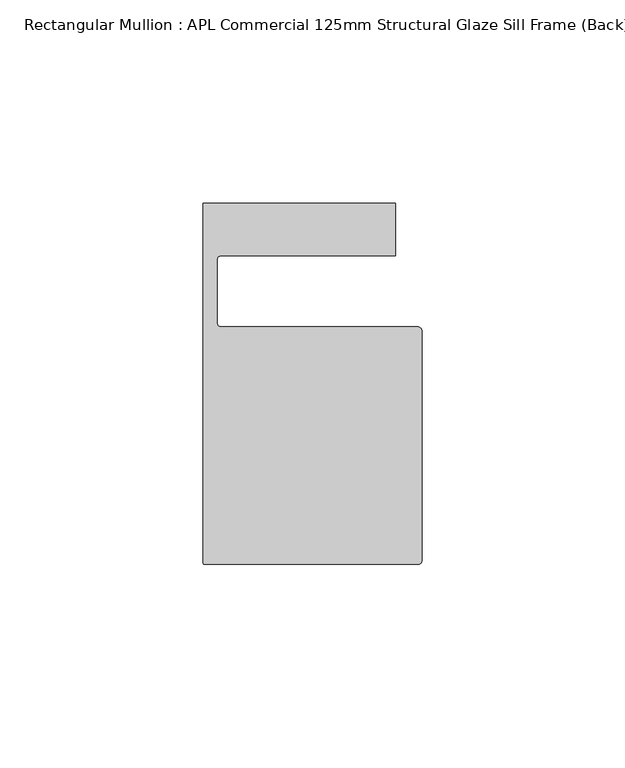
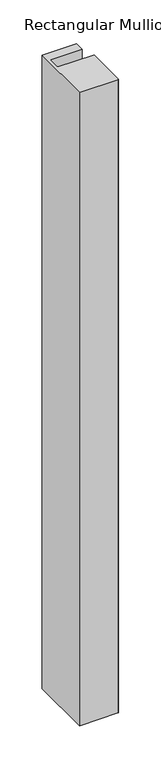
"""IFC4 building model written with IfcOpenShell, lengths in millimetres: member geometry, Rectangular Mullion : APL Commercial 125mm Structural Glaze Sill Frame (Back)."""

import ifcopenshell
import ifcopenshell.guid

model = None  # the IFC model being written
_history = None  # IfcOwnerHistory: only IFC2X3 demands one
_inside = {}  # id of a spatial element -> (the spatial element, [elements in it])
_under = {}  # id of a project, library or spatial element -> (it, [spatial elements below it])
_declared = {}  # id of a project -> (the project, [libraries it declares])
_typed = {}  # id of a type object -> (the type object, [elements of that type])
_made_of = {}  # id of a material, layer set ... -> (it, [elements and type objects made of it])


def new_model(schema):
    """Start an empty IFC model of exactly this schema.

    Asked for "IFC4X3", IfcOpenShell would pick the latest addendum, in which some entities
    have other attributes; the version numbers below select the first issue.
    IFC2X3 requires an IfcOwnerHistory on every rooted entity: one is made here for all.
    """
    global model, _history
    if schema == "IFC4X3":
        model = ifcopenshell.file(schema_version=(4, 3, 0, 0))
    else:
        model = ifcopenshell.file(schema=schema)
    _inside.clear()
    _under.clear()
    _declared.clear()
    _typed.clear()
    _made_of.clear()
    _history = None
    if model.schema == "IFC2X3":
        org = make("IfcOrganization", Name="unknown")
        user = make(
            "IfcPersonAndOrganization",
            ThePerson=make("IfcPerson", FamilyName="unknown"),
            TheOrganization=org,
        )
        app = make(
            "IfcApplication",
            ApplicationDeveloper=org,
            Version="unknown",
            ApplicationFullName="unknown",
            ApplicationIdentifier="unknown",
        )
        _history = make(
            "IfcOwnerHistory",
            OwningUser=user,
            OwningApplication=app,
            ChangeAction="ADDED",
            CreationDate=0,
        )
    return model


def make(cls, **values):
    """One entity of the class cls with the attributes given. An attribute that is None is left unset."""
    return model.create_entity(
        cls, **{name: value for name, value in values.items() if value is not None}
    )


def rooted(cls, **values):
    """An entity with a GlobalId (a new one), such as an element, a storey or a relation."""
    return make(cls, GlobalId=ifcopenshell.guid.new(), OwnerHistory=_history, **values)


def si_unit(unit_type, name, prefix=None):
    """IfcSIUnit, for example si_unit("LENGTHUNIT", "METRE", prefix="MILLI")."""
    return make("IfcSIUnit", UnitType=unit_type, Prefix=prefix, Name=name)


def assignment(units):
    """IfcUnitAssignment: the units of a project."""
    return None if units is None else make("IfcUnitAssignment", Units=units)


def point(xyz):
    """IfcCartesianPoint."""
    return None if xyz is None else make("IfcCartesianPoint", Coordinates=xyz)


def direction(xyz):
    """IfcDirection."""
    return None if xyz is None else make("IfcDirection", DirectionRatios=xyz)


def frame(location, z_axis=None, x_axis=None):
    """IfcAxis2Placement3D, a coordinate frame: its origin and axes. An axis left out is left unset."""
    return make(
        "IfcAxis2Placement3D",
        Location=point(location),
        Axis=direction(z_axis),
        RefDirection=direction(x_axis),
    )


def origin():
    """The frame at (0, 0, 0) with its axes left unset."""
    return frame((0.0, 0.0, 0.0))


def place(relative_to, where):
    """IfcLocalPlacement: puts the frame where relative to a parent placement (None: the world)."""
    return make(
        "IfcLocalPlacement", PlacementRelTo=relative_to, RelativePlacement=where
    )


def context(
    kind, dimensions, precision=None, world=None, true_north=None, identifier=None
):
    """IfcGeometricRepresentationContext, for example the 3D "Model" context."""
    return make(
        "IfcGeometricRepresentationContext",
        ContextIdentifier=identifier,
        ContextType=kind,
        CoordinateSpaceDimension=dimensions,
        Precision=precision,
        WorldCoordinateSystem=world,
        TrueNorth=true_north,
    )


def project(units=None, contexts=None):
    """IfcProject with its units and contexts."""
    return rooted(
        "IfcProject",
        Name="project",
        RepresentationContexts=contexts,
        UnitsInContext=assignment(units),
    )


def spatial(cls, under=None, at=None, **own):
    """A site, building, storey or space (cls), placed at a placement, below another one or the project."""
    s = rooted(cls, ObjectPlacement=at, **own)
    if under is not None:
        _under.setdefault(under.id(), (under, []))[1].append(s)
    return s


def polyline(points):
    """IfcPolyline through the points."""
    return make("IfcPolyline", Points=[point(p) for p in points])


def circle_curve(where, radius):
    """IfcCircle in the frame where."""
    return make("IfcCircle", Position=where, Radius=radius)


def shape(context_of_items, identifier, shape_type, items):
    """IfcShapeRepresentation: the items that make up one representation, for example the "Body"."""
    return make(
        "IfcShapeRepresentation",
        ContextOfItems=context_of_items,
        RepresentationIdentifier=identifier,
        RepresentationType=shape_type,
        Items=items,
    )


def source(mapping_origin, context_of_items, identifier, shape_type, items):
    """IfcRepresentationMap: a shape defined once, which mapped items show again and again."""
    return make(
        "IfcRepresentationMap",
        MappingOrigin=mapping_origin,
        MappedRepresentation=shape(context_of_items, identifier, shape_type, items),
    )


def transform(
    local_origin,
    x_axis=None,
    y_axis=None,
    z_axis=None,
    scale=None,
    scale2=None,
    scale3=None,
    uniform=True,
):
    """IfcCartesianTransformationOperator3D, or its non-uniform kind. x_axis, y_axis, z_axis: its Axis1, 2, 3."""
    if uniform:
        return make(
            "IfcCartesianTransformationOperator3D",
            Axis1=direction(x_axis),
            Axis2=direction(y_axis),
            LocalOrigin=point(local_origin),
            Scale=scale,
            Axis3=direction(z_axis),
        )
    return make(
        "IfcCartesianTransformationOperator3DnonUniform",
        Axis1=direction(x_axis),
        Axis2=direction(y_axis),
        LocalOrigin=point(local_origin),
        Scale=scale,
        Axis3=direction(z_axis),
        Scale2=scale2,
        Scale3=scale3,
    )


def mapped(mapping_source, mapping_target):
    """IfcMappedItem: shows the shape of a source again, moved by a transform."""
    return make(
        "IfcMappedItem", MappingSource=mapping_source, MappingTarget=mapping_target
    )


def made_of(thing, what):
    """Note that an element or type object is made of a material, layer set ...; save() writes the relation."""
    if what is not None:
        _made_of.setdefault(what.id(), (what, []))[1].append(thing)
    return thing


def element(
    cls,
    number,
    at=None,
    inside=None,
    cuts=None,
    type_object=None,
    material=None,
    context=None,
    identifier="Body",
    shape_type=None,
    held_by="IfcProductDefinitionShape",
    body=None,
    shapes=None,
    **own,
):
    """One element of the class cls, such as IfcWall. Its Tag is "e" and its number.

    at: its placement. inside: the storey or other place that contains it. cuts: it is an
    opening in that element (IfcRelVoidsElement). A single representation is given by context,
    identifier, shape_type and body (its items); several are given by shapes. held_by: the class
    of the entity that holds the representations. save() writes the other relations.
    """
    e = rooted(cls, Tag="e%d" % number, ObjectPlacement=at, **own)
    if body is not None:
        shapes = [shape(context, identifier, shape_type, body)]
    if shapes is not None:
        e.Representation = make(held_by, Representations=shapes)
    if inside is not None:
        _inside.setdefault(inside.id(), (inside, []))[1].append(e)
    if cuts is not None:
        rooted(
            "IfcRelVoidsElement", RelatingBuildingElement=cuts, RelatedOpeningElement=e
        )
    if type_object is not None:
        _typed.setdefault(type_object.id(), (type_object, []))[1].append(e)
    return made_of(e, material)


def aggregate(whole, parts):
    """IfcRelAggregates: a whole, such as a stair, and the parts it consists of."""
    return rooted("IfcRelAggregates", RelatingObject=whole, RelatedObjects=parts)


def save(model, path):
    """Write the relations noted so far, then the file.

    IfcRelAggregates (storeys below a building ...), IfcRelContainedInSpatialStructure (elements
    in a storey), IfcRelDefinesByType, IfcRelAssociatesMaterial and IfcRelDeclares: one each for
    every whole, place, type object, material and project.
    """
    for whole, parts in _under.values():
        aggregate(whole, parts)
    for where, things in _inside.values():
        rooted(
            "IfcRelContainedInSpatialStructure",
            RelatedElements=things,
            RelatingStructure=where,
        )
    for kind, things in _typed.values():
        rooted("IfcRelDefinesByType", RelatedObjects=things, RelatingType=kind)
    for what, things in _made_of.values():
        rooted("IfcRelAssociatesMaterial", RelatedObjects=things, RelatingMaterial=what)
    for by, libraries in _declared.values():
        rooted("IfcRelDeclares", RelatingContext=by, RelatedDefinitions=libraries)
    model.write(path)


def plane_surface(at):
    """IfcPlane: the flat surface through the origin of the frame at, square to its z axis."""
    return make("IfcPlane", Position=at)


def cylinder_surface(at, radius):
    """IfcCylindricalSurface: all points at the distance radius from the z axis of the frame at."""
    return make("IfcCylindricalSurface", Position=at, Radius=radius)


def revolved_surface(curve, axis_point, axis_direction):
    """IfcSurfaceOfRevolution: the curve turned about the line through axis_point along axis_direction."""
    return make(
        "IfcSurfaceOfRevolution",
        SweptCurve=make("IfcArbitraryOpenProfileDef", ProfileType="CURVE", Curve=curve),
        AxisPosition=make("IfcAxis1Placement", Location=point(axis_point), Axis=direction(axis_direction)),
    )


def advanced_brep(points, edges, surfaces, faces):
    """IfcAdvancedBrep: a solid bounded by faces that lie on surfaces and meet in shared edges.

    An edge is (start, end): straight between two places in points (the first is 0);
    or (start, end, curve); or (start, end, curve, False) where it runs against its curve.
    A face is (place in surfaces, loops), or (place, loops, False) where it looks against
    its surface's normal. A loop lists edges by number (the first is 1), with a minus sign
    where the edge is run from its end to its start. The first loop is the outer one.
    """
    corners = [point(p) for p in points]
    vertices = [make("IfcVertexPoint", VertexGeometry=c) for c in corners]
    made = []
    for start, end, *more in edges:
        made.append(
            make(
                "IfcEdgeCurve",
                EdgeStart=vertices[start],
                EdgeEnd=vertices[end],
                EdgeGeometry=more[0] if more else make("IfcPolyline", Points=[corners[start], corners[end]]),
                SameSense=more[1] if len(more) > 1 else True,
            )
        )
    hull = []
    for where, loops, *sense in faces:
        bounds = []
        for j, loop in enumerate(loops):
            ring = [make("IfcOrientedEdge", EdgeElement=made[abs(k) - 1], Orientation=k > 0) for k in loop]
            bounds.append(
                make(
                    "IfcFaceOuterBound" if j == 0 else "IfcFaceBound",
                    Bound=make("IfcEdgeLoop", EdgeList=ring),
                    Orientation=True,
                )
            )
        hull.append(make("IfcAdvancedFace", Bounds=bounds, FaceSurface=surfaces[where], SameSense=sense[0] if sense else True))
    return make("IfcAdvancedBrep", Outer=make("IfcClosedShell", CfsFaces=hull))


def rectangular_mullion_apl_commercial_125mm_structural_glaze_7ef25ae7(model_context):
    return source(origin(), model_context, "Body", "AdvancedBrep", [
        advanced_brep(
        [(-53.5000029, -104.0, 0.0), (-1.0000025, -104.0, 0.0), (-2.5e-06, -103.0, 0.0), (0.0, -46.5010268, 0.0), (-1.0, -45.5010268, 0.0), (-49.5000004, -45.5010268, 0.0), (-50.5000004, -44.5010268, 0.0), (-50.5000029, -29.0004332, 0.0), (-49.5000029, -28.0004332, 0.0), (-6.5000029, -28.0004332, 0.0), (-6.5000029, -15.0004332, 0.0), (-54.0000029, -15.0004332, 0.0), (-54.0000029, -103.5, 0.0), (-53.5000029, -104.0, -916.2962462), (-54.0000029, -103.5, -916.2962462), (-54.0000029, -15.0004332, -916.2962462), (-6.5000029, -15.0004332, -916.2962462), (-6.5000029, -28.0004332, -916.2962462), (-49.5000029, -28.0004332, -916.2962462), (-50.5000029, -29.0004332, -916.2962462), (-50.5000029, -44.5010268, -916.2962462), (-49.5000004, -45.5010268, -916.2962462), (-1.0, -45.5010268, -916.2962462), (0.0, -46.5010268, -916.2962462), (0.0, -103.0, -916.2962462), (-1.0000025, -104.0, -916.2962462)],
        [
            (0, 1),
            (1, 2, circle_curve(frame((-1.0000025, -103.0, 0.0), z_axis=(0.0, 0.0, 1.0), x_axis=(0.9999999999996143, -8.78371761103865e-07, 0.0)), 1.0)),
            (2, 3),
            (3, 4, circle_curve(frame((-1.0, -46.5010268, 0.0), z_axis=(0.0, 0.0, 1.0), x_axis=(0.0, 1.0, 0.0)), 1.0)),
            (4, 5),
            (5, 6, circle_curve(frame((-49.5000004, -44.5010268, 0.0), z_axis=(0.0, 0.0, -1.0), x_axis=(-0.9999999999998819, -4.863123717036027e-07, 0.0)), 1.0)),
            (6, 7),
            (7, 8, circle_curve(frame((-49.5000029, -29.0004332, 0.0), z_axis=(0.0, 0.0, -1.0), x_axis=(0.0, 1.0, 0.0)), 1.0)),
            (8, 9),
            (9, 10),
            (10, 11),
            (11, 12),
            (12, 0, circle_curve(frame((-53.5000029, -103.5, 0.0), z_axis=(0.0, 0.0, 1.0), x_axis=(0.0, -1.0, 0.0)), 0.5)),
            (13, 14, circle_curve(frame((-53.5000029, -103.5, -916.2962462), z_axis=(0.0, 0.0, -1.0), x_axis=(0.0, -1.0, 0.0)), 0.5)),
            (14, 15),
            (15, 16),
            (16, 17),
            (17, 18),
            (18, 19, circle_curve(frame((-49.5000029, -29.0004332, -916.2962462), z_axis=(0.0, 0.0, 1.0), x_axis=(0.0, 1.0, 0.0)), 1.0)),
            (19, 20),
            (20, 21, circle_curve(frame((-49.5000004, -44.5010268, -916.2962462), z_axis=(0.0, 0.0, 1.0), x_axis=(-0.9999999999998819, -4.863123717036027e-07, 0.0)), 1.0)),
            (21, 22),
            (22, 23, circle_curve(frame((-1.0, -46.5010268, -916.2962462), z_axis=(0.0, 0.0, -1.0), x_axis=(0.0, 1.0, 0.0)), 1.0)),
            (23, 24),
            (24, 25, circle_curve(frame((-1.0000025, -103.0, -916.2962462), z_axis=(0.0, 0.0, -1.0), x_axis=(0.9999999999996143, -8.78371761103865e-07, 0.0)), 1.0)),
            (25, 13),
            (0, 13),
            (25, 1),
            (24, 2),
            (23, 3),
            (22, 4),
            (21, 5),
            (20, 6),
            (19, 7),
            (18, 8),
            (17, 9),
            (16, 10),
            (15, 11),
            (14, 12),
        ],
        [
            plane_surface(frame((0.0, -116.986179, 0.0), z_axis=(0.0, 0.0, 1.0), x_axis=(-1.0, 0.0, 0.0))),
            plane_surface(frame((0.0, -116.986179, -916.2962462), z_axis=(0.0, 0.0, -1.0), x_axis=(-1.0, 0.0, 0.0))),
            plane_surface(frame((-53.5000029, -104.0, 0.0), z_axis=(0.0, -1.0, 0.0), x_axis=(0.0, 0.0, -1.0))),
            cylinder_surface(frame((-1.0000025, -103.0, 0.0), z_axis=(0.0, 0.0, 1.0000000000000002), x_axis=(0.9999999999996143, -8.78371761103865e-07, 0.0)), 1.0),
            plane_surface(frame((0.0, -103.0, 0.0), z_axis=(1.0, 0.0, 0.0), x_axis=(0.0, 0.0, -1.0))),
            cylinder_surface(frame((-1.0, -46.5010268, 0.0), z_axis=(0.0, 0.0, 1.0), x_axis=(0.0, 1.0, 0.0)), 1.0),
            plane_surface(frame((-1.0, -45.5010268, 0.0), z_axis=(0.0, 1.0, 0.0), x_axis=(0.0, 0.0, -1.0))),
            revolved_surface(polyline([(-50.50000039999988, -44.50102728631237, -916.2962462000005), (-50.50000039999988, -44.50102728631237, 0.0)]), (-49.5000004, -44.5010268, 0.0), (0.0, 0.0, -1.0000000000000002)),
            plane_surface(frame((-50.5000029, -44.5010268, 0.0), z_axis=(1.0, 0.0, 0.0), x_axis=(0.0, 0.0, -1.0))),
            revolved_surface(polyline([(-49.5000029, -28.0004332, -916.2962462), (-49.5000029, -28.0004332, 0.0)]), (-49.5000029, -29.0004332, 0.0), (0.0, 0.0, -1.0)),
            plane_surface(frame((-49.5000029, -28.0004332, 0.0), z_axis=(0.0, -1.0, 0.0), x_axis=(0.0, 0.0, -1.0))),
            plane_surface(frame((-6.5000029, -28.0004332, 0.0), z_axis=(1.0, 0.0, 0.0), x_axis=(0.0, 0.0, -1.0))),
            plane_surface(frame((-6.5000029, -15.0004332, 0.0), z_axis=(0.0, 1.0, 0.0), x_axis=(0.0, 0.0, -1.0))),
            plane_surface(frame((-54.0000029, -15.0004332, 0.0), z_axis=(-1.0, 0.0, 0.0), x_axis=(0.0, 0.0, -1.0))),
            cylinder_surface(frame((-53.5000029, -103.5, 0.0), z_axis=(0.0, 0.0, 1.0), x_axis=(0.0, -1.0, 0.0)), 0.5),
        ],
        [
            (0, [[1, 2, 3, 4, 5, 6, 7, 8, 9, 10, 11, 12, 13]]),
            (1, [[14, 15, 16, 17, 18, 19, 20, 21, 22, 23, 24, 25, 26]]),
            (2, [[-1, 27, -26, 28]]),
            (3, [[-2, -28, -25, 29]]),
            (4, [[-3, -29, -24, 30]]),
            (5, [[-4, -30, -23, 31]]),
            (6, [[-5, -31, -22, 32]]),
            (7, [[-6, -32, -21, 33]]),
            (8, [[-7, -33, -20, 34]]),
            (9, [[-8, -34, -19, 35]]),
            (10, [[-9, -35, -18, 36]]),
            (11, [[-10, -36, -17, 37]]),
            (12, [[-11, -37, -16, 38]]),
            (13, [[-12, -38, -15, 39]]),
            (14, [[-13, -39, -14, -27]]),
        ],
    ),
    ])


if __name__ == "__main__":
    model = new_model("IFC4")
    model_context = context("Model", 3, world=origin())
    ifc_project = project(units=[si_unit("LENGTHUNIT", "METRE", prefix="MILLI")], contexts=[model_context])
    site = spatial("IfcSite", under=ifc_project)
    building = spatial("IfcBuilding", under=site)
    placement = place(None, origin())
    rectangular_mullion_apl_commercial_125mm_structural_glaze_shape = rectangular_mullion_apl_commercial_125mm_structural_glaze_7ef25ae7(model_context)
    element("IfcMember", 1, ObjectType="Rectangular Mullion : APL Commercial 125mm Structural Glaze Sill Frame (Back)", at=placement, inside=building, context=model_context, shape_type="MappedRepresentation", body=[
        mapped(rectangular_mullion_apl_commercial_125mm_structural_glaze_shape, transform((0.0, 0.0, 0.0), x_axis=(1.0, 0.0, 0.0), y_axis=(0.0, 1.0, 0.0), z_axis=(0.0, 0.0, 1.0))),
    ])
    save(model, "model.ifc")
